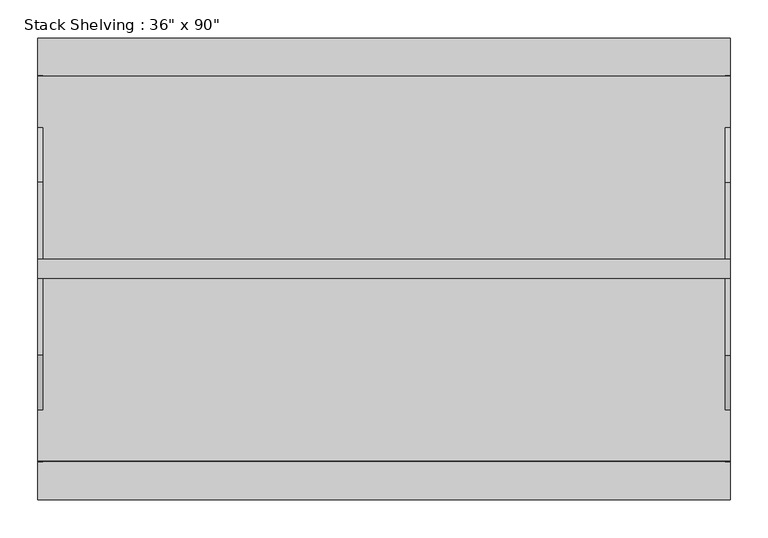
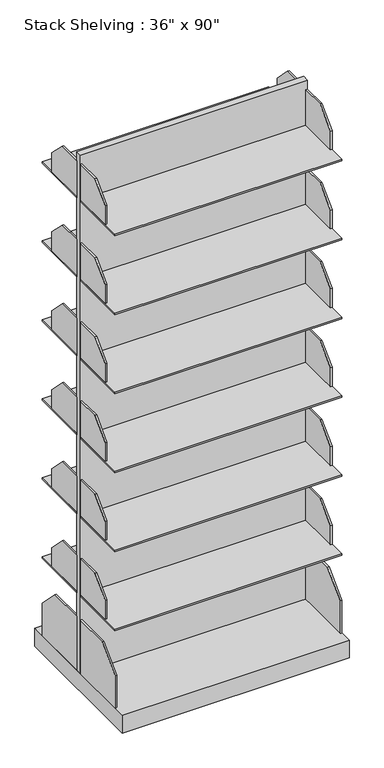
"""IFC4 building model written with IfcOpenShell, lengths in millimetres: proxy geometry."""

import ifcopenshell
import ifcopenshell.guid

model = None  # the IFC model being written
_history = None  # IfcOwnerHistory: only IFC2X3 demands one
_inside = {}  # id of a spatial element -> (the spatial element, [elements in it])
_under = {}  # id of a project, library or spatial element -> (it, [spatial elements below it])
_declared = {}  # id of a project -> (the project, [libraries it declares])
_typed = {}  # id of a type object -> (the type object, [elements of that type])
_made_of = {}  # id of a material, layer set ... -> (it, [elements and type objects made of it])


def new_model(schema):
    """Start an empty IFC model of exactly this schema.

    Asked for "IFC4X3", IfcOpenShell would pick the latest addendum, in which some entities
    have other attributes; the version numbers below select the first issue.
    IFC2X3 requires an IfcOwnerHistory on every rooted entity: one is made here for all.
    """
    global model, _history
    if schema == "IFC4X3":
        model = ifcopenshell.file(schema_version=(4, 3, 0, 0))
    else:
        model = ifcopenshell.file(schema=schema)
    _inside.clear()
    _under.clear()
    _declared.clear()
    _typed.clear()
    _made_of.clear()
    _history = None
    if model.schema == "IFC2X3":
        org = make("IfcOrganization", Name="unknown")
        user = make(
            "IfcPersonAndOrganization",
            ThePerson=make("IfcPerson", FamilyName="unknown"),
            TheOrganization=org,
        )
        app = make(
            "IfcApplication",
            ApplicationDeveloper=org,
            Version="unknown",
            ApplicationFullName="unknown",
            ApplicationIdentifier="unknown",
        )
        _history = make(
            "IfcOwnerHistory",
            OwningUser=user,
            OwningApplication=app,
            ChangeAction="ADDED",
            CreationDate=0,
        )
    return model


def make(cls, **values):
    """One entity of the class cls with the attributes given. An attribute that is None is left unset."""
    return model.create_entity(
        cls, **{name: value for name, value in values.items() if value is not None}
    )


def rooted(cls, **values):
    """An entity with a GlobalId (a new one), such as an element, a storey or a relation."""
    return make(cls, GlobalId=ifcopenshell.guid.new(), OwnerHistory=_history, **values)


def si_unit(unit_type, name, prefix=None):
    """IfcSIUnit, for example si_unit("LENGTHUNIT", "METRE", prefix="MILLI")."""
    return make("IfcSIUnit", UnitType=unit_type, Prefix=prefix, Name=name)


def assignment(units):
    """IfcUnitAssignment: the units of a project."""
    return None if units is None else make("IfcUnitAssignment", Units=units)


def point(xyz):
    """IfcCartesianPoint."""
    return None if xyz is None else make("IfcCartesianPoint", Coordinates=xyz)


def direction(xyz):
    """IfcDirection."""
    return None if xyz is None else make("IfcDirection", DirectionRatios=xyz)


def frame(location, z_axis=None, x_axis=None):
    """IfcAxis2Placement3D, a coordinate frame: its origin and axes. An axis left out is left unset."""
    return make(
        "IfcAxis2Placement3D",
        Location=point(location),
        Axis=direction(z_axis),
        RefDirection=direction(x_axis),
    )


def origin():
    """The frame at (0, 0, 0) with its axes left unset."""
    return frame((0.0, 0.0, 0.0))


def origin_with_axes():
    """The frame at (0, 0, 0) with the z axis (0, 0, 1) and the x axis (1, 0, 0) written out."""
    return frame((0.0, 0.0, 0.0), z_axis=(0.0, 0.0, 1.0), x_axis=(1.0, 0.0, 0.0))


def place(relative_to, where):
    """IfcLocalPlacement: puts the frame where relative to a parent placement (None: the world)."""
    return make(
        "IfcLocalPlacement", PlacementRelTo=relative_to, RelativePlacement=where
    )


def context(
    kind, dimensions, precision=None, world=None, true_north=None, identifier=None
):
    """IfcGeometricRepresentationContext, for example the 3D "Model" context."""
    return make(
        "IfcGeometricRepresentationContext",
        ContextIdentifier=identifier,
        ContextType=kind,
        CoordinateSpaceDimension=dimensions,
        Precision=precision,
        WorldCoordinateSystem=world,
        TrueNorth=true_north,
    )


def project(units=None, contexts=None):
    """IfcProject with its units and contexts."""
    return rooted(
        "IfcProject",
        Name="project",
        RepresentationContexts=contexts,
        UnitsInContext=assignment(units),
    )


def spatial(cls, under=None, at=None, **own):
    """A site, building, storey or space (cls), placed at a placement, below another one or the project."""
    s = rooted(cls, ObjectPlacement=at, **own)
    if under is not None:
        _under.setdefault(under.id(), (under, []))[1].append(s)
    return s


def polyline(points):
    """IfcPolyline through the points."""
    return make("IfcPolyline", Points=[point(p) for p in points])


def outline(outer, holes=None, kind="AREA"):
    """IfcArbitraryClosedProfileDef: a profile drawn as a closed curve; with holes, ...WithVoids."""
    if holes is None:
        return make("IfcArbitraryClosedProfileDef", ProfileType=kind, OuterCurve=outer)
    return make(
        "IfcArbitraryProfileDefWithVoids",
        ProfileType=kind,
        OuterCurve=outer,
        InnerCurves=holes,
    )


def extrude(swept, where, along, depth):
    """IfcExtrudedAreaSolid: the profile swept, set in the frame where, extruded along a direction by depth."""
    return make(
        "IfcExtrudedAreaSolid",
        SweptArea=swept,
        Position=where,
        ExtrudedDirection=direction(along),
        Depth=depth,
    )


def shape(context_of_items, identifier, shape_type, items):
    """IfcShapeRepresentation: the items that make up one representation, for example the "Body"."""
    return make(
        "IfcShapeRepresentation",
        ContextOfItems=context_of_items,
        RepresentationIdentifier=identifier,
        RepresentationType=shape_type,
        Items=items,
    )


def source(mapping_origin, context_of_items, identifier, shape_type, items):
    """IfcRepresentationMap: a shape defined once, which mapped items show again and again."""
    return make(
        "IfcRepresentationMap",
        MappingOrigin=mapping_origin,
        MappedRepresentation=shape(context_of_items, identifier, shape_type, items),
    )


def transform(
    local_origin,
    x_axis=None,
    y_axis=None,
    z_axis=None,
    scale=None,
    scale2=None,
    scale3=None,
    uniform=True,
):
    """IfcCartesianTransformationOperator3D, or its non-uniform kind. x_axis, y_axis, z_axis: its Axis1, 2, 3."""
    if uniform:
        return make(
            "IfcCartesianTransformationOperator3D",
            Axis1=direction(x_axis),
            Axis2=direction(y_axis),
            LocalOrigin=point(local_origin),
            Scale=scale,
            Axis3=direction(z_axis),
        )
    return make(
        "IfcCartesianTransformationOperator3DnonUniform",
        Axis1=direction(x_axis),
        Axis2=direction(y_axis),
        LocalOrigin=point(local_origin),
        Scale=scale,
        Axis3=direction(z_axis),
        Scale2=scale2,
        Scale3=scale3,
    )


def mapped(mapping_source, mapping_target):
    """IfcMappedItem: shows the shape of a source again, moved by a transform."""
    return make(
        "IfcMappedItem", MappingSource=mapping_source, MappingTarget=mapping_target
    )


def made_of(thing, what):
    """Note that an element or type object is made of a material, layer set ...; save() writes the relation."""
    if what is not None:
        _made_of.setdefault(what.id(), (what, []))[1].append(thing)
    return thing


def element(
    cls,
    number,
    at=None,
    inside=None,
    cuts=None,
    type_object=None,
    material=None,
    context=None,
    identifier="Body",
    shape_type=None,
    held_by="IfcProductDefinitionShape",
    body=None,
    shapes=None,
    **own,
):
    """One element of the class cls, such as IfcWall. Its Tag is "e" and its number.

    at: its placement. inside: the storey or other place that contains it. cuts: it is an
    opening in that element (IfcRelVoidsElement). A single representation is given by context,
    identifier, shape_type and body (its items); several are given by shapes. held_by: the class
    of the entity that holds the representations. save() writes the other relations.
    """
    e = rooted(cls, Tag="e%d" % number, ObjectPlacement=at, **own)
    if body is not None:
        shapes = [shape(context, identifier, shape_type, body)]
    if shapes is not None:
        e.Representation = make(held_by, Representations=shapes)
    if inside is not None:
        _inside.setdefault(inside.id(), (inside, []))[1].append(e)
    if cuts is not None:
        rooted(
            "IfcRelVoidsElement", RelatingBuildingElement=cuts, RelatedOpeningElement=e
        )
    if type_object is not None:
        _typed.setdefault(type_object.id(), (type_object, []))[1].append(e)
    return made_of(e, material)


def aggregate(whole, parts):
    """IfcRelAggregates: a whole, such as a stair, and the parts it consists of."""
    return rooted("IfcRelAggregates", RelatingObject=whole, RelatedObjects=parts)


def save(model, path):
    """Write the relations noted so far, then the file.

    IfcRelAggregates (storeys below a building ...), IfcRelContainedInSpatialStructure (elements
    in a storey), IfcRelDefinesByType, IfcRelAssociatesMaterial and IfcRelDeclares: one each for
    every whole, place, type object, material and project.
    """
    for whole, parts in _under.values():
        aggregate(whole, parts)
    for where, things in _inside.values():
        rooted(
            "IfcRelContainedInSpatialStructure",
            RelatedElements=things,
            RelatingStructure=where,
        )
    for kind, things in _typed.values():
        rooted("IfcRelDefinesByType", RelatedObjects=things, RelatingType=kind)
    for what, things in _made_of.values():
        rooted("IfcRelAssociatesMaterial", RelatedObjects=things, RelatingMaterial=what)
    for by, libraries in _declared.values():
        rooted("IfcRelDeclares", RelatingContext=by, RelatedDefinitions=libraries)
    model.write(path)


def proxy_714cf650(model_context):
    return source(origin(), model_context, "Body", "SweptSolid", [
        extrude(outline(polyline([(12.7, 2247.9), (114.3, 2247.9), (186.142049, 2176.057951), (186.142049, 2095.5), (12.7, 2095.5), (12.7, 2247.9)])), frame((-457.2, 0.0, 0.0), z_axis=(1.0, 0.0, 0.0), x_axis=(0.0, 1.0, 0.0)), (0.0, 0.0, 1.0), 6.35),
        extrude(outline(polyline([(165.1, 304.8), (254.9025612, 214.9974388), (254.9025612, 76.2), (12.7, 76.2), (12.7, 304.8), (165.1, 304.8)])), frame((-457.2, 0.0, 0.0), z_axis=(1.0, 0.0, 0.0), x_axis=(0.0, 1.0, 0.0)), (0.0, 0.0, 1.0), 6.35),
        extrude(outline(polyline([(12.7, 1911.35), (114.3, 1911.35), (186.142049, 1839.507951), (186.142049, 1758.95), (12.7, 1758.95), (12.7, 1911.35)])), frame((-457.2, 0.0, 0.0), z_axis=(1.0, 0.0, 0.0), x_axis=(0.0, 1.0, 0.0)), (0.0, 0.0, 1.0), 6.35),
        extrude(outline(polyline([(12.8886472, 1574.8), (114.4886472, 1574.8), (186.3306961, 1502.957951), (186.3306961, 1422.4), (12.8886472, 1422.4), (12.8886472, 1574.8)])), frame((-457.2, 0.0, 0.0), z_axis=(1.0, 0.0, 0.0), x_axis=(0.0, 1.0, 0.0)), (0.0, 0.0, 1.0), 6.35),
        extrude(outline(polyline([(12.8886472, 1238.25), (114.4886472, 1238.25), (186.3306961, 1166.407951), (186.3306961, 1085.85), (12.8886472, 1085.85), (12.8886472, 1238.25)])), frame((-457.2, 0.0, 0.0), z_axis=(1.0, 0.0, 0.0), x_axis=(0.0, 1.0, 0.0)), (0.0, 0.0, 1.0), 6.35),
        extrude(outline(polyline([(12.7, 901.7), (114.3, 901.7), (186.142049, 829.857951), (186.142049, 749.3), (12.7, 749.3), (12.7, 901.7)])), frame((-457.2, 0.0, 0.0), z_axis=(1.0, 0.0, 0.0), x_axis=(0.0, 1.0, 0.0)), (0.0, 0.0, 1.0), 6.35),
        extrude(outline(polyline([(12.7, 565.15), (114.3, 565.15), (186.142049, 493.307951), (186.142049, 412.75), (12.7, 412.75), (12.7, 565.15)])), frame((-457.2, 0.0, 0.0), z_axis=(1.0, 0.0, 0.0), x_axis=(0.0, 1.0, 0.0)), (0.0, 0.0, 1.0), 6.35),
        extrude(outline(polyline([(-12.7, 2247.9), (-12.7, 2095.5), (-186.142049, 2095.5), (-186.142049, 2176.057951), (-114.3, 2247.9), (-12.7, 2247.9)])), frame((-457.2, 0.0, 0.0), z_axis=(1.0, 0.0, 0.0), x_axis=(0.0, 1.0, 0.0)), (0.0, 0.0, 1.0), 6.35),
        extrude(outline(polyline([(-165.1, 304.8), (-12.7, 304.8), (-12.7, 76.2), (-254.9025612, 76.2), (-254.9025612, 214.9974388), (-165.1, 304.8)])), frame((-457.2, 0.0, 0.0), z_axis=(1.0, 0.0, 0.0), x_axis=(0.0, 1.0, 0.0)), (0.0, 0.0, 1.0), 6.35),
        extrude(outline(polyline([(-12.7, 1911.35), (-12.7, 1758.95), (-186.142049, 1758.95), (-186.142049, 1839.507951), (-114.3, 1911.35), (-12.7, 1911.35)])), frame((-457.2, 0.0, 0.0), z_axis=(1.0, 0.0, 0.0), x_axis=(0.0, 1.0, 0.0)), (0.0, 0.0, 1.0), 6.35),
        extrude(outline(polyline([(-12.8886472, 1574.8), (-12.8886472, 1422.4), (-186.3306961, 1422.4), (-186.3306961, 1502.957951), (-114.4886472, 1574.8), (-12.8886472, 1574.8)])), frame((-457.2, 0.0, 0.0), z_axis=(1.0, 0.0, 0.0), x_axis=(0.0, 1.0, 0.0)), (0.0, 0.0, 1.0), 6.35),
        extrude(outline(polyline([(-12.8886472, 1238.25), (-12.8886472, 1085.85), (-186.3306961, 1085.85), (-186.3306961, 1166.407951), (-114.4886472, 1238.25), (-12.8886472, 1238.25)])), frame((-457.2, 0.0, 0.0), z_axis=(1.0, 0.0, 0.0), x_axis=(0.0, 1.0, 0.0)), (0.0, 0.0, 1.0), 6.35),
        extrude(outline(polyline([(-12.7, 901.7), (-12.7, 749.3), (-186.142049, 749.3), (-186.142049, 829.857951), (-114.3, 901.7), (-12.7, 901.7)])), frame((-457.2, 0.0, 0.0), z_axis=(1.0, 0.0, 0.0), x_axis=(0.0, 1.0, 0.0)), (0.0, 0.0, 1.0), 6.35),
        extrude(outline(polyline([(-12.7, 565.15), (-12.7, 412.75), (-186.142049, 412.75), (-186.142049, 493.307951), (-114.3, 565.15), (-12.7, 565.15)])), frame((-457.2, 0.0, 0.0), z_axis=(1.0, 0.0, 0.0), x_axis=(0.0, 1.0, 0.0)), (0.0, 0.0, 1.0), 6.35),
        extrude(outline(polyline([(-12.7, 304.8), (-12.7, 76.2), (-254.9025612, 76.2), (-254.9025612, 214.9974388), (-165.1, 304.8), (-12.7, 304.8)])), frame((450.85, 0.0, 0.0), z_axis=(1.0, 0.0, 0.0), x_axis=(0.0, 1.0, 0.0)), (0.0, 0.0, 1.0), 6.35),
        extrude(outline(polyline([(12.7, 304.8), (165.1, 304.8), (254.9025612, 214.9974388), (254.9025612, 76.2), (12.7, 76.2), (12.7, 304.8)])), frame((450.85, 0.0, 0.0), z_axis=(1.0, 0.0, 0.0), x_axis=(0.0, 1.0, 0.0)), (0.0, 0.0, 1.0), 6.35),
        extrude(outline(polyline([(-12.7, 565.15), (-12.7, 412.75), (-186.142049, 412.75), (-186.142049, 493.307951), (-114.3, 565.15), (-12.7, 565.15)])), frame((450.85, 0.0, 0.0), z_axis=(1.0, 0.0, 0.0), x_axis=(0.0, 1.0, 0.0)), (0.0, 0.0, 1.0), 6.35),
        extrude(outline(polyline([(-12.7, 901.7), (-12.7, 749.3), (-186.142049, 749.3), (-186.142049, 829.857951), (-114.3, 901.7), (-12.7, 901.7)])), frame((450.85, 0.0, 0.0), z_axis=(1.0, 0.0, 0.0), x_axis=(0.0, 1.0, 0.0)), (0.0, 0.0, 1.0), 6.35),
        extrude(outline(polyline([(-12.7, 1238.25), (-12.7, 1085.85), (-186.142049, 1085.85), (-186.142049, 1166.407951), (-114.3, 1238.25), (-12.7, 1238.25)])), frame((450.85, 0.0, 0.0), z_axis=(1.0, 0.0, 0.0), x_axis=(0.0, 1.0, 0.0)), (0.0, 0.0, 1.0), 6.35),
        extrude(outline(polyline([(-12.7, 1574.8), (-12.7, 1422.4), (-186.142049, 1422.4), (-186.142049, 1502.957951), (-114.3, 1574.8), (-12.7, 1574.8)])), frame((450.85, 0.0, 0.0), z_axis=(1.0, 0.0, 0.0), x_axis=(0.0, 1.0, 0.0)), (0.0, 0.0, 1.0), 6.35),
        extrude(outline(polyline([(-12.7, 1911.35), (-12.7, 1758.95), (-186.142049, 1758.95), (-186.142049, 1839.507951), (-114.3, 1911.35), (-12.7, 1911.35)])), frame((450.85, 0.0, 0.0), z_axis=(1.0, 0.0, 0.0), x_axis=(0.0, 1.0, 0.0)), (0.0, 0.0, 1.0), 6.35),
        extrude(outline(polyline([(-12.7, 2247.9), (-12.7, 2095.5), (-186.142049, 2095.5), (-186.142049, 2176.057951), (-114.3, 2247.9), (-12.7, 2247.9)])), frame((450.85, 0.0, 0.0), z_axis=(1.0, 0.0, 0.0), x_axis=(0.0, 1.0, 0.0)), (0.0, 0.0, 1.0), 6.35),
        extrude(outline(polyline([(12.7, 565.15), (114.3, 565.15), (186.142049, 493.307951), (186.142049, 412.75), (12.7, 412.75), (12.7, 565.15)])), frame((450.85, 0.0, 0.0), z_axis=(1.0, 0.0, 0.0), x_axis=(0.0, 1.0, 0.0)), (0.0, 0.0, 1.0), 6.35),
        extrude(outline(polyline([(12.7, 901.7), (114.3, 901.7), (186.142049, 829.857951), (186.142049, 749.3), (12.7, 749.3), (12.7, 901.7)])), frame((450.85, 0.0, 0.0), z_axis=(1.0, 0.0, 0.0), x_axis=(0.0, 1.0, 0.0)), (0.0, 0.0, 1.0), 6.35),
        extrude(outline(polyline([(12.7, 1238.25), (114.3, 1238.25), (186.142049, 1166.407951), (186.142049, 1085.85), (12.7, 1085.85), (12.7, 1238.25)])), frame((450.85, 0.0, 0.0), z_axis=(1.0, 0.0, 0.0), x_axis=(0.0, 1.0, 0.0)), (0.0, 0.0, 1.0), 6.35),
        extrude(outline(polyline([(12.7, 1574.8), (114.3, 1574.8), (186.142049, 1502.957951), (186.142049, 1422.4), (12.7, 1422.4), (12.7, 1574.8)])), frame((450.85, 0.0, 0.0), z_axis=(1.0, 0.0, 0.0), x_axis=(0.0, 1.0, 0.0)), (0.0, 0.0, 1.0), 6.35),
        extrude(outline(polyline([(12.7, 1911.35), (114.3, 1911.35), (186.142049, 1839.507951), (186.142049, 1758.95), (12.7, 1758.95), (12.7, 1911.35)])), frame((450.85, 0.0, 0.0), z_axis=(1.0, 0.0, 0.0), x_axis=(0.0, 1.0, 0.0)), (0.0, 0.0, 1.0), 6.35),
        extrude(outline(polyline([(12.7, 2247.9), (114.3, 2247.9), (186.142049, 2176.057951), (186.142049, 2095.5), (12.7, 2095.5), (12.7, 2247.9)])), frame((450.85, 0.0, 0.0), z_axis=(1.0, 0.0, 0.0), x_axis=(0.0, 1.0, 0.0)), (0.0, 0.0, 1.0), 6.35),
        extrude(outline(polyline([(-457.2, 254.0), (457.2, 254.0), (457.2, 12.7), (-457.2, 12.7), (-457.2, 254.0)])), frame((0.0, 0.0, 406.4), z_axis=(0.0, 0.0, 1.0), x_axis=(1.0, 0.0, 0.0)), (0.0, 0.0, 1.0), 6.35),
        extrude(outline(polyline([(-457.2, 254.0), (457.2, 254.0), (457.2, 12.7), (-457.2, 12.7), (-457.2, 254.0)])), frame((0.0, 0.0, 742.95), z_axis=(0.0, 0.0, 1.0), x_axis=(1.0, 0.0, 0.0)), (0.0, 0.0, 1.0), 6.35),
        extrude(outline(polyline([(-457.2, 254.0), (457.2, 254.0), (457.2, 12.7), (-457.2, 12.7), (-457.2, 254.0)])), frame((0.0, 0.0, 1079.5), z_axis=(0.0, 0.0, 1.0), x_axis=(1.0, 0.0, 0.0)), (0.0, 0.0, 1.0), 6.35),
        extrude(outline(polyline([(-457.2, 254.0), (457.2, 254.0), (457.2, 12.7), (-457.2, 12.7), (-457.2, 254.0)])), frame((0.0, 0.0, 1416.05), z_axis=(0.0, 0.0, 1.0), x_axis=(1.0, 0.0, 0.0)), (0.0, 0.0, 1.0), 6.35),
        extrude(outline(polyline([(-457.2, 254.0), (457.2, 254.0), (457.2, 12.7), (-457.2, 12.7), (-457.2, 254.0)])), frame((0.0, 0.0, 1752.6), z_axis=(0.0, 0.0, 1.0), x_axis=(1.0, 0.0, 0.0)), (0.0, 0.0, 1.0), 6.35),
        extrude(outline(polyline([(-457.2, 254.0), (457.2, 254.0), (457.2, 12.7), (-457.2, 12.7), (-457.2, 254.0)])), frame((0.0, 0.0, 2089.15), z_axis=(0.0, 0.0, 1.0), x_axis=(1.0, 0.0, 0.0)), (0.0, 0.0, 1.0), 6.35),
        extrude(outline(polyline([(457.2, -254.0), (-457.2, -254.0), (-457.2, -12.7), (457.2, -12.7), (457.2, -254.0)])), frame((0.0, 0.0, 406.4), z_axis=(0.0, 0.0, 1.0), x_axis=(1.0, 0.0, 0.0)), (0.0, 0.0, 1.0), 6.35),
        extrude(outline(polyline([(457.2, -254.0), (-457.2, -254.0), (-457.2, -12.7), (457.2, -12.7), (457.2, -254.0)])), frame((0.0, 0.0, 742.95), z_axis=(0.0, 0.0, 1.0), x_axis=(1.0, 0.0, 0.0)), (0.0, 0.0, 1.0), 6.35),
        extrude(outline(polyline([(457.2, -254.0), (-457.2, -254.0), (-457.2, -12.7), (457.2, -12.7), (457.2, -254.0)])), frame((0.0, 0.0, 1079.5), z_axis=(0.0, 0.0, 1.0), x_axis=(1.0, 0.0, 0.0)), (0.0, 0.0, 1.0), 6.35),
        extrude(outline(polyline([(457.2, -254.0), (-457.2, -254.0), (-457.2, -12.7), (457.2, -12.7), (457.2, -254.0)])), frame((0.0, 0.0, 1416.05), z_axis=(0.0, 0.0, 1.0), x_axis=(1.0, 0.0, 0.0)), (0.0, 0.0, 1.0), 6.35),
        extrude(outline(polyline([(457.2, -254.0), (-457.2, -254.0), (-457.2, -12.7), (457.2, -12.7), (457.2, -254.0)])), frame((0.0, 0.0, 1752.6), z_axis=(0.0, 0.0, 1.0), x_axis=(1.0, 0.0, 0.0)), (0.0, 0.0, 1.0), 6.35),
        extrude(outline(polyline([(457.2, -254.0), (-457.2, -254.0), (-457.2, -12.7), (457.2, -12.7), (457.2, -254.0)])), frame((0.0, 0.0, 2089.15), z_axis=(0.0, 0.0, 1.0), x_axis=(1.0, 0.0, 0.0)), (0.0, 0.0, 1.0), 6.35),
        extrude(outline(polyline([(457.2, 12.7), (457.2, -12.7), (-457.2, -12.7), (-457.2, 12.7), (457.2, 12.7)])), frame((0.0, 0.0, 76.2), z_axis=(0.0, 0.0, 1.0), x_axis=(1.0, 0.0, 0.0)), (0.0, 0.0, 1.0), 2209.8),
        extrude(outline(polyline([(457.2, 304.8), (457.2, -304.8), (-457.2, -304.8), (-457.2, 304.8), (457.2, 304.8)])), origin_with_axes(), (0.0, 0.0, 1.0), 76.2),
    ])


if __name__ == "__main__":
    model = new_model("IFC4")
    model_context = context("Model", 3, world=origin())
    ifc_project = project(units=[si_unit("LENGTHUNIT", "METRE", prefix="MILLI")], contexts=[model_context])
    site = spatial("IfcSite", under=ifc_project)
    building = spatial("IfcBuilding", under=site)
    placement = place(None, origin())
    proxy_shape = proxy_714cf650(model_context)
    element("IfcBuildingElementProxy", 1, Name="Stack Shelving : 36\" x 90\"", ObjectType="Stack Shelving : 36\" x 90\"", at=placement, inside=building, context=model_context, shape_type="MappedRepresentation", body=[
        mapped(proxy_shape, transform((0.0, 0.0, 0.0), x_axis=(1.0, 0.0, 0.0), y_axis=(0.0, 1.0, 0.0), z_axis=(0.0, 0.0, 1.0))),
    ])
    save(model, "model.ifc")
